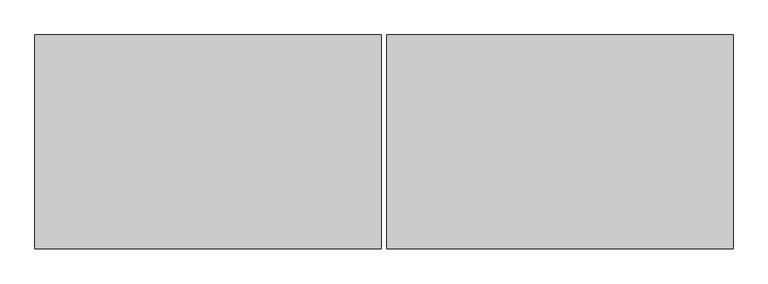
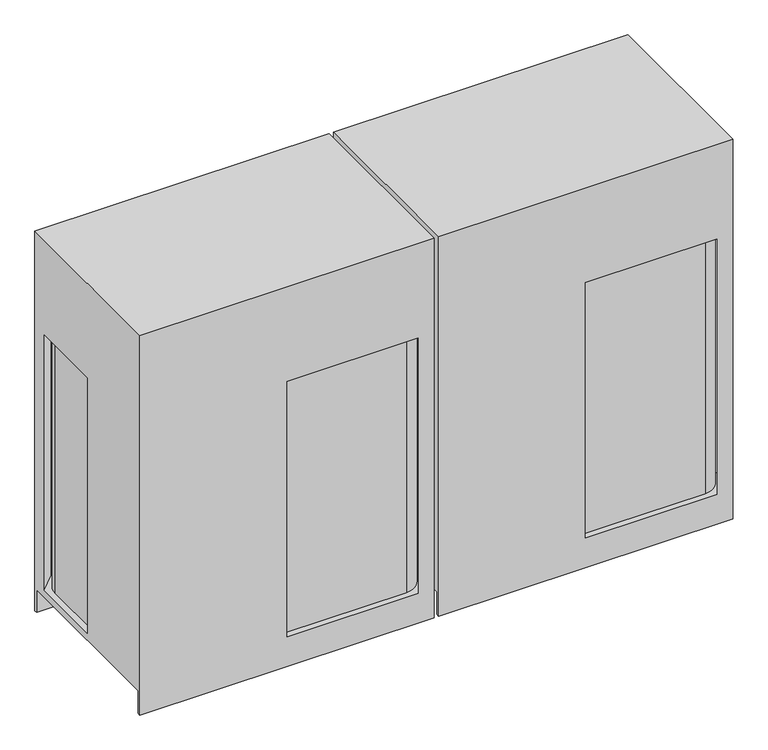
"""IFC4 building model written with IfcOpenShell, lengths in millimetres: proxy geometry."""

from ifc_helpers import new_model, si_unit, point, frame, frame_2d, origin, place, context, project, spatial, circle_curve, trimmed, segment, composite_curve, outline, extrude, source, transform, mapped, element, save
from ifc_brep_helpers import plane_surface, cylinder_surface, advanced_brep


def mechanical_equipment_5476f056(model_context):
    return source(origin(), model_context, "Body", "SolidModel", [
        extrude(outline(composite_curve([segment(trimmed(circle_curve(frame_2d((255.5875, -277.01875)), 14.2875), [point((269.875, -277.01875))], [point((241.3, -277.01875))], False, "CARTESIAN"), True, "CONTINUOUS"), segment(trimmed(circle_curve(frame_2d((255.5875, -277.01875)), 14.2875), [point((241.3, -277.01875))], [point((269.875, -277.01875))], False, "CARTESIAN"), True, "CONTINUOUS")], self_intersect=False)), frame((0.0, 0.0, 203.2), z_axis=(0.0, 0.0, 1.0), x_axis=(1.0, 0.0, 0.0)), (0.0, 0.0, 1.0), 6.35),
        extrude(outline(composite_curve([segment(trimmed(circle_curve(frame_2d((169.8625, -277.01875)), 14.2875), [point((155.575, -277.01875))], [point((184.15, -277.01875))], False, "CARTESIAN"), True, "CONTINUOUS"), segment(trimmed(circle_curve(frame_2d((169.8625, -277.01875)), 14.2875), [point((184.15, -277.01875))], [point((155.575, -277.01875))], False, "CARTESIAN"), True, "CONTINUOUS")], self_intersect=False)), frame((0.0, 0.0, 190.5), z_axis=(0.0, 0.0, 1.0), x_axis=(1.0, 0.0, 0.0)), (0.0, 0.0, 1.0), 6.35),
        extrude(outline(composite_curve([segment(trimmed(circle_curve(frame_2d((111.125, -311.94375)), 7.9375), [point((103.1875, -311.94375))], [point((119.0625, -311.94375))], False, "CARTESIAN"), True, "CONTINUOUS"), segment(trimmed(circle_curve(frame_2d((111.125, -311.94375)), 7.9375), [point((119.0625, -311.94375))], [point((103.1875, -311.94375))], False, "CARTESIAN"), True, "CONTINUOUS")], self_intersect=False)), frame((0.0, 0.0, 307.975), z_axis=(0.0, 0.0, 1.0), x_axis=(1.0, 0.0, 0.0)), (0.0, 0.0, 1.0), 6.35),
        advanced_brep(
        [(1250.95, -383.38125, 0.0), (9.525, -383.38125, 0.0), (9.525, -370.68125, 0.0), (1250.95, -370.68125, 0.0), (9.525, 383.38125, 0.0), (1250.95, 383.38125, 0.0), (1250.95, 370.68125, 0.0), (9.525, 370.68125, 0.0), (1250.95, 383.38125, 1693.8625), (9.525, 383.38125, 1693.8625), (9.525, -383.38125, 1693.8625), (1250.95, -383.38125, 1693.8625), (1250.95, -370.68125, 101.6), (1250.95, 370.68125, 101.6), (1250.95, 316.70625, 131.7752), (1250.95, -316.70625, 131.7752), (1250.95, -316.70625, 1270.396875), (1250.95, 316.70625, 1270.396875), (1184.275, -383.38125, 131.7752), (630.2248, -383.38125, 131.7752), (630.2248, -383.38125, 1270.396875), (1184.275, -383.38125, 1270.396875), (9.525, 370.68125, 101.6), (9.525, -370.68125, 101.6), (9.525, 0.0, 131.7752), (9.525, 316.70625, 131.7752), (9.525, 316.70625, 1270.396875), (9.525, 0.0, 1270.396875), (76.2, 383.38125, 131.7752), (1184.275, 383.38125, 131.7752), (1184.275, 383.38125, 1270.396875), (76.2, 383.38125, 1270.396875), (34.925, 0.0, 131.7752), (34.925, 281.78125, 131.7752), (111.125, 357.98125, 131.7752), (1149.35, 357.98125, 131.7752), (1225.55, 281.78125, 131.7752), (1225.55, -281.78125, 131.7752), (1149.35, -357.98125, 131.7752), (630.2248, -357.98125, 131.7752), (630.2248, -357.98125, 1270.396875), (1149.35, -357.98125, 1270.396875), (1225.55, -281.78125, 1270.396875), (1225.55, 281.78125, 1270.396875), (1149.35, 357.98125, 1270.396875), (111.125, 357.98125, 1270.396875), (34.925, 281.78125, 1270.396875), (34.925, 0.0, 1270.396875)],
        [
            (0, 1),
            (1, 2),
            (2, 3),
            (3, 0),
            (4, 5),
            (5, 6),
            (6, 7),
            (7, 4),
            (8, 9),
            (9, 10),
            (10, 11),
            (11, 8),
            (11, 0),
            (3, 12),
            (12, 13),
            (13, 6),
            (5, 8),
            (14, 15),
            (15, 16),
            (16, 17),
            (17, 14),
            (10, 1),
            (18, 19),
            (19, 20),
            (20, 21),
            (21, 18),
            (9, 4),
            (7, 22),
            (22, 23),
            (23, 2),
            (24, 25),
            (25, 26),
            (26, 27),
            (27, 24),
            (28, 29),
            (29, 30),
            (30, 31),
            (31, 28),
            (22, 13),
            (12, 23),
            (28, 25),
            (24, 32),
            (32, 33),
            (33, 34, circle_curve(frame((111.125, 281.78125, 131.7752), z_axis=(0.0, 0.0, -1.0), x_axis=(1.0, 0.0, 0.0)), 76.2)),
            (34, 35),
            (35, 36, circle_curve(frame((1149.35, 281.78125, 131.7752), z_axis=(0.0, 0.0, -1.0), x_axis=(1.0, 0.0, 0.0)), 76.2)),
            (36, 37),
            (37, 38, circle_curve(frame((1149.35, -281.78125, 131.7752), z_axis=(0.0, 0.0, -1.0), x_axis=(1.0, 0.0, 0.0)), 76.2)),
            (38, 39),
            (39, 19),
            (18, 15),
            (14, 29),
            (30, 17),
            (16, 21),
            (20, 40),
            (40, 41),
            (41, 42, circle_curve(frame((1149.35, -281.78125, 1270.396875), z_axis=(0.0, 0.0, 1.0), x_axis=(1.0, 0.0, 0.0)), 76.2)),
            (42, 43),
            (43, 44, circle_curve(frame((1149.35, 281.78125, 1270.396875), z_axis=(0.0, 0.0, 1.0), x_axis=(1.0, 0.0, 0.0)), 76.2)),
            (44, 45),
            (45, 46, circle_curve(frame((111.125, 281.78125, 1270.396875), z_axis=(0.0, 0.0, 1.0), x_axis=(1.0, 0.0, 0.0)), 76.2)),
            (46, 47),
            (47, 27),
            (26, 31),
            (39, 40),
            (38, 41),
            (37, 42),
            (36, 43),
            (35, 44),
            (34, 45),
            (33, 46),
            (32, 47),
        ],
        [
            plane_surface(frame((630.2375, 21.6296875, 0.0), z_axis=(0.0, 0.0, -1.0), x_axis=(0.0, 1.0, 0.0))),
            plane_surface(frame((630.2375, 21.6296875, 1693.8625), z_axis=(0.0, 0.0, 1.0), x_axis=(0.0, 1.0, 0.0))),
            plane_surface(frame((1250.95, 383.38125, 0.0), z_axis=(1.0, 0.0, 0.0), x_axis=(0.0, 0.0, 1.0))),
            plane_surface(frame((1250.95, -383.38125, 0.0), z_axis=(0.0, -1.0, 0.0), x_axis=(0.0, 0.0, 1.0))),
            plane_surface(frame((9.525, -383.38125, 0.0), z_axis=(-1.0, 0.0, 0.0), x_axis=(0.0, 0.0, 1.0))),
            plane_surface(frame((9.525, 383.38125, 0.0), z_axis=(0.0, 1.0, 0.0), x_axis=(0.0, 0.0, 1.0))),
            plane_surface(frame((9.525, -370.68125, 101.6), z_axis=(0.0, 0.0, -1.0), x_axis=(1.0, 0.0, 0.0))),
            plane_surface(frame((9.525, 370.68125, 101.6), z_axis=(0.0, -1.0, 0.0), x_axis=(1.0, 0.0, 0.0))),
            plane_surface(frame((9.525, -370.68125, 0.0), z_axis=(0.0, 1.0, 0.0), x_axis=(1.0, 0.0, 0.0))),
            plane_surface(frame((630.2375, 1.8658473, 131.7752), z_axis=(0.0, 0.0, 1.0), x_axis=(0.0, 1.0, 0.0))),
            plane_surface(frame((630.2375, 1.8658473, 1270.396875), z_axis=(0.0, 0.0, -1.0), x_axis=(0.0, 1.0, 0.0))),
            plane_surface(frame((630.2248, -383.38125, 131.7752), z_axis=(1.0, 0.0, 0.0), x_axis=(0.0, 0.0, 1.0))),
            plane_surface(frame((630.2248, -357.98125, 131.7752), z_axis=(0.0, -1.0, 0.0), x_axis=(0.0, 0.0, 1.0))),
            cylinder_surface(frame((1149.35, -281.78125, 131.7752), z_axis=(0.0, 0.0, 1.0), x_axis=(1.0, 0.0, 0.0)), 76.2),
            plane_surface(frame((1225.55, -281.78125, 131.7752), z_axis=(1.0, 0.0, 0.0), x_axis=(0.0, 0.0, 1.0))),
            cylinder_surface(frame((1149.35, 281.78125, 131.7752), z_axis=(0.0, 0.0, 1.0), x_axis=(1.0, 0.0, 0.0)), 76.2),
            plane_surface(frame((1149.35, 357.98125, 131.7752), z_axis=(0.0, 1.0, 0.0), x_axis=(0.0, 0.0, 1.0))),
            cylinder_surface(frame((111.125, 281.78125, 131.7752), z_axis=(0.0, 0.0, 1.0), x_axis=(1.0, 0.0, 0.0)), 76.2),
            plane_surface(frame((34.925, 281.78125, 131.7752), z_axis=(-1.0, 0.0, 0.0), x_axis=(0.0, 0.0, 1.0))),
            plane_surface(frame((34.925, 0.0, 131.7752), z_axis=(0.0, 1.0, 0.0), x_axis=(0.0, 0.0, 1.0))),
            plane_surface(frame((1184.275, 383.38125, 131.7752), z_axis=(-0.7071067811865517, -0.7071067811865435, 0.0), x_axis=(0.0, 0.0, 1.0))),
            plane_surface(frame((1250.95, -316.70625, 131.7752), z_axis=(-0.7071067811865445, 0.7071067811865506, 0.0), x_axis=(0.0, 0.0, 1.0))),
            plane_surface(frame((9.525, 316.70625, 131.7752), z_axis=(0.7071067811865445, -0.7071067811865506, 0.0), x_axis=(0.0, 0.0, 1.0))),
        ],
        [
            (0, [[1, 2, 3, 4]]),
            (0, [[5, 6, 7, 8]]),
            (1, [[9, 10, 11, 12]]),
            (2, [[-12, 13, -4, 14, 15, 16, -6, 17], [18, 19, 20, 21]]),
            (3, [[-1, -13, -11, 22], [23, 24, 25, 26]]),
            (4, [[-10, 27, -8, 28, 29, 30, -2, -22], [31, 32, 33, 34]]),
            (5, [[-5, -27, -9, -17], [35, 36, 37, 38]]),
            (6, [[39, -15, 40, -29]]),
            (7, [[-39, -28, -7, -16]]),
            (8, [[-40, -14, -3, -30]]),
            (9, [[41, -31, 42, 43, 44, 45, 46, 47, 48, 49, 50, -23, 51, -18, 52, -35]]),
            (10, [[53, -20, 54, -25, 55, 56, 57, 58, 59, 60, 61, 62, 63, -33, 64, -37]]),
            (11, [[-50, 65, -55, -24]]),
            (12, [[-49, 66, -56, -65]]),
            (13, [[-48, 67, -57, -66]]),
            (14, [[-47, 68, -58, -67]]),
            (15, [[-46, 69, -59, -68]]),
            (16, [[-45, 70, -60, -69]]),
            (17, [[-44, 71, -61, -70]]),
            (18, [[-43, 72, -62, -71]]),
            (19, [[-42, -34, -63, -72]]),
            (20, [[-52, -21, -53, -36]]),
            (21, [[-51, -26, -54, -19]]),
            (22, [[-41, -38, -64, -32]]),
        ],
    ),
        extrude(outline(composite_curve([segment(trimmed(circle_curve(frame_2d((-1004.8875, -277.01875)), 14.2875), [point((-990.6, -277.01875))], [point((-1019.175, -277.01875))], False, "CARTESIAN"), True, "CONTINUOUS"), segment(trimmed(circle_curve(frame_2d((-1004.8875, -277.01875)), 14.2875), [point((-1019.175, -277.01875))], [point((-990.6, -277.01875))], False, "CARTESIAN"), True, "CONTINUOUS")], self_intersect=False)), frame((0.0, 0.0, 203.2), z_axis=(0.0, 0.0, 1.0), x_axis=(1.0, 0.0, 0.0)), (0.0, 0.0, 1.0), 6.35),
        extrude(outline(composite_curve([segment(trimmed(circle_curve(frame_2d((-1090.6125, -277.01875)), 14.2875), [point((-1104.9, -277.01875))], [point((-1076.325, -277.01875))], False, "CARTESIAN"), True, "CONTINUOUS"), segment(trimmed(circle_curve(frame_2d((-1090.6125, -277.01875)), 14.2875), [point((-1076.325, -277.01875))], [point((-1104.9, -277.01875))], False, "CARTESIAN"), True, "CONTINUOUS")], self_intersect=False)), frame((0.0, 0.0, 190.5), z_axis=(0.0, 0.0, 1.0), x_axis=(1.0, 0.0, 0.0)), (0.0, 0.0, 1.0), 6.35),
        extrude(outline(composite_curve([segment(trimmed(circle_curve(frame_2d((-1149.35, -311.94375)), 7.9375), [point((-1157.2875, -311.94375))], [point((-1141.4125, -311.94375))], False, "CARTESIAN"), True, "CONTINUOUS"), segment(trimmed(circle_curve(frame_2d((-1149.35, -311.94375)), 7.9375), [point((-1141.4125, -311.94375))], [point((-1157.2875, -311.94375))], False, "CARTESIAN"), True, "CONTINUOUS")], self_intersect=False)), frame((0.0, 0.0, 307.975), z_axis=(0.0, 0.0, 1.0), x_axis=(1.0, 0.0, 0.0)), (0.0, 0.0, 1.0), 6.35),
        advanced_brep(
        [(-9.525, -383.38125, 0.0), (-1250.95, -383.38125, 0.0), (-1250.95, -370.68125, 0.0), (-9.525, -370.68125, 0.0), (-1250.95, 383.38125, 0.0), (-9.525, 383.38125, 0.0), (-9.525, 370.68125, 0.0), (-1250.95, 370.68125, 0.0), (-9.525, 383.38125, 1693.8625), (-1250.95, 383.38125, 1693.8625), (-1250.95, -383.38125, 1693.8625), (-9.525, -383.38125, 1693.8625), (-9.525, -370.68125, 101.6), (-9.525, 370.68125, 101.6), (-9.525, 316.70625, 131.7752), (-9.525, -316.70625, 131.7752), (-9.525, -316.70625, 1270.396875), (-9.525, 316.70625, 1270.396875), (-76.2, -383.38125, 131.7752), (-630.2502, -383.38125, 131.7752), (-630.2502, -383.38125, 1270.396875), (-76.2, -383.38125, 1270.396875), (-1250.95, 370.68125, 101.6), (-1250.95, -370.68125, 101.6), (-1250.95, 0.0, 131.7752), (-1250.95, 316.70625, 131.7752), (-1250.95, 316.70625, 1270.396875), (-1250.95, 0.0, 1270.396875), (-1184.275, 383.38125, 131.7752), (-76.2, 383.38125, 131.7752), (-76.2, 383.38125, 1270.396875), (-1184.275, 383.38125, 1270.396875), (-1225.55, 0.0, 131.7752), (-1225.55, 281.78125, 131.7752), (-1149.35, 357.98125, 131.7752), (-111.125, 357.98125, 131.7752), (-34.925, 281.78125, 131.7752), (-34.925, -281.78125, 131.7752), (-111.125, -357.98125, 131.7752), (-630.2502, -357.98125, 131.7752), (-630.2502, -357.98125, 1270.396875), (-111.125, -357.98125, 1270.396875), (-34.925, -281.78125, 1270.396875), (-34.925, 281.78125, 1270.396875), (-111.125, 357.98125, 1270.396875), (-1149.35, 357.98125, 1270.396875), (-1225.55, 281.78125, 1270.396875), (-1225.55, 0.0, 1270.396875)],
        [
            (0, 1),
            (1, 2),
            (2, 3),
            (3, 0),
            (4, 5),
            (5, 6),
            (6, 7),
            (7, 4),
            (8, 9),
            (9, 10),
            (10, 11),
            (11, 8),
            (11, 0),
            (3, 12),
            (12, 13),
            (13, 6),
            (5, 8),
            (14, 15),
            (15, 16),
            (16, 17),
            (17, 14),
            (10, 1),
            (18, 19),
            (19, 20),
            (20, 21),
            (21, 18),
            (9, 4),
            (7, 22),
            (22, 23),
            (23, 2),
            (24, 25),
            (25, 26),
            (26, 27),
            (27, 24),
            (28, 29),
            (29, 30),
            (30, 31),
            (31, 28),
            (22, 13),
            (12, 23),
            (28, 25),
            (24, 32),
            (32, 33),
            (33, 34, circle_curve(frame((-1149.35, 281.78125, 131.7752), z_axis=(0.0, 0.0, -1.0), x_axis=(1.0, 0.0, 0.0)), 76.2)),
            (34, 35),
            (35, 36, circle_curve(frame((-111.125, 281.78125, 131.7752), z_axis=(0.0, 0.0, -1.0), x_axis=(1.0, 0.0, 0.0)), 76.2)),
            (36, 37),
            (37, 38, circle_curve(frame((-111.125, -281.78125, 131.7752), z_axis=(0.0, 0.0, -1.0), x_axis=(1.0, 0.0, 0.0)), 76.2)),
            (38, 39),
            (39, 19),
            (18, 15),
            (14, 29),
            (30, 17),
            (16, 21),
            (20, 40),
            (40, 41),
            (41, 42, circle_curve(frame((-111.125, -281.78125, 1270.396875), z_axis=(0.0, 0.0, 1.0), x_axis=(1.0, 0.0, 0.0)), 76.2)),
            (42, 43),
            (43, 44, circle_curve(frame((-111.125, 281.78125, 1270.396875), z_axis=(0.0, 0.0, 1.0), x_axis=(1.0, 0.0, 0.0)), 76.2)),
            (44, 45),
            (45, 46, circle_curve(frame((-1149.35, 281.78125, 1270.396875), z_axis=(0.0, 0.0, 1.0), x_axis=(1.0, 0.0, 0.0)), 76.2)),
            (46, 47),
            (47, 27),
            (26, 31),
            (39, 40),
            (38, 41),
            (37, 42),
            (36, 43),
            (35, 44),
            (34, 45),
            (33, 46),
            (32, 47),
        ],
        [
            plane_surface(frame((-630.2375, 21.6296875, 0.0), z_axis=(0.0, 0.0, -1.0), x_axis=(0.0, 1.0, 0.0))),
            plane_surface(frame((-630.2375, 21.6296875, 1693.8625), z_axis=(0.0, 0.0, 1.0), x_axis=(0.0, 1.0, 0.0))),
            plane_surface(frame((-9.525, 383.38125, 0.0), z_axis=(1.0, 0.0, 0.0), x_axis=(0.0, 0.0, 1.0))),
            plane_surface(frame((-9.525, -383.38125, 0.0), z_axis=(0.0, -1.0, 0.0), x_axis=(0.0, 0.0, 1.0))),
            plane_surface(frame((-1250.95, -383.38125, 0.0), z_axis=(-1.0, 0.0, 0.0), x_axis=(0.0, 0.0, 1.0))),
            plane_surface(frame((-1250.95, 383.38125, 0.0), z_axis=(0.0, 1.0, 0.0), x_axis=(0.0, 0.0, 1.0))),
            plane_surface(frame((-1250.95, -370.68125, 101.6), z_axis=(0.0, 0.0, -1.0), x_axis=(1.0, 0.0, 0.0))),
            plane_surface(frame((-1250.95, 370.68125, 101.6), z_axis=(0.0, -1.0, 0.0), x_axis=(1.0, 0.0, 0.0))),
            plane_surface(frame((-1250.95, -370.68125, 0.0), z_axis=(0.0, 1.0, 0.0), x_axis=(1.0, 0.0, 0.0))),
            plane_surface(frame((-630.2375, 1.8658473, 131.7752), z_axis=(0.0, 0.0, 1.0), x_axis=(0.0, 1.0, 0.0))),
            plane_surface(frame((-630.2375, 1.8658473, 1270.396875), z_axis=(0.0, 0.0, -1.0), x_axis=(0.0, 1.0, 0.0))),
            plane_surface(frame((-630.2502, -383.38125, 131.7752), z_axis=(1.0, 0.0, 0.0), x_axis=(0.0, 0.0, 1.0))),
            plane_surface(frame((-630.2502, -357.98125, 131.7752), z_axis=(0.0, -1.0, 0.0), x_axis=(0.0, 0.0, 1.0))),
            cylinder_surface(frame((-111.125, -281.78125, 131.7752), z_axis=(0.0, 0.0, 1.0), x_axis=(1.0, 0.0, 0.0)), 76.2),
            plane_surface(frame((-34.925, -281.78125, 131.7752), z_axis=(1.0, 0.0, 0.0), x_axis=(0.0, 0.0, 1.0))),
            cylinder_surface(frame((-111.125, 281.78125, 131.7752), z_axis=(0.0, 0.0, 1.0), x_axis=(1.0, 0.0, 0.0)), 76.2),
            plane_surface(frame((-111.125, 357.98125, 131.7752), z_axis=(0.0, 1.0, 0.0), x_axis=(0.0, 0.0, 1.0))),
            cylinder_surface(frame((-1149.35, 281.78125, 131.7752), z_axis=(0.0, 0.0, 1.0), x_axis=(1.0, 0.0, 0.0)), 76.2),
            plane_surface(frame((-1225.55, 281.78125, 131.7752), z_axis=(-1.0, 0.0, 0.0), x_axis=(0.0, 0.0, 1.0))),
            plane_surface(frame((-1225.55, 0.0, 131.7752), z_axis=(0.0, 1.0, 0.0), x_axis=(0.0, 0.0, 1.0))),
            plane_surface(frame((-76.2, 383.38125, 131.7752), z_axis=(-0.7071067811865517, -0.7071067811865435, 0.0), x_axis=(0.0, 0.0, 1.0))),
            plane_surface(frame((-9.525, -316.70625, 131.7752), z_axis=(-0.7071067811865445, 0.7071067811865506, 0.0), x_axis=(0.0, 0.0, 1.0))),
            plane_surface(frame((-1250.95, 316.70625, 131.7752), z_axis=(0.7071067811865445, -0.7071067811865506, 0.0), x_axis=(0.0, 0.0, 1.0))),
        ],
        [
            (0, [[1, 2, 3, 4]]),
            (0, [[5, 6, 7, 8]]),
            (1, [[9, 10, 11, 12]]),
            (2, [[-12, 13, -4, 14, 15, 16, -6, 17], [18, 19, 20, 21]]),
            (3, [[-1, -13, -11, 22], [23, 24, 25, 26]]),
            (4, [[-10, 27, -8, 28, 29, 30, -2, -22], [31, 32, 33, 34]]),
            (5, [[-5, -27, -9, -17], [35, 36, 37, 38]]),
            (6, [[39, -15, 40, -29]]),
            (7, [[-39, -28, -7, -16]]),
            (8, [[-40, -14, -3, -30]]),
            (9, [[41, -31, 42, 43, 44, 45, 46, 47, 48, 49, 50, -23, 51, -18, 52, -35]]),
            (10, [[53, -20, 54, -25, 55, 56, 57, 58, 59, 60, 61, 62, 63, -33, 64, -37]]),
            (11, [[-50, 65, -55, -24]]),
            (12, [[-49, 66, -56, -65]]),
            (13, [[-48, 67, -57, -66]]),
            (14, [[-47, 68, -58, -67]]),
            (15, [[-46, 69, -59, -68]]),
            (16, [[-45, 70, -60, -69]]),
            (17, [[-44, 71, -61, -70]]),
            (18, [[-43, 72, -62, -71]]),
            (19, [[-42, -34, -63, -72]]),
            (20, [[-52, -21, -53, -36]]),
            (21, [[-51, -26, -54, -19]]),
            (22, [[-41, -38, -64, -32]]),
        ],
    ),
    ])


if __name__ == "__main__":
    model = new_model("IFC4")
    model_context = context("Model", 3, world=origin())
    ifc_project = project(units=[si_unit("LENGTHUNIT", "METRE", prefix="MILLI")], contexts=[model_context])
    site = spatial("IfcSite", under=ifc_project)
    building = spatial("IfcBuilding", under=site)
    placement = place(None, origin())
    mechanical_equipment_shape = mechanical_equipment_5476f056(model_context)
    element("IfcBuildingElementProxy", 1, Name="Mechanical Equipment", at=placement, inside=building, context=model_context, shape_type="MappedRepresentation", body=[
        mapped(mechanical_equipment_shape, transform((0.0, 0.0, 0.0), x_axis=(1.0, 0.0, 0.0), y_axis=(0.0, 1.0, 0.0), z_axis=(0.0, 0.0, 1.0))),
    ])
    save(model, "model.ifc")
